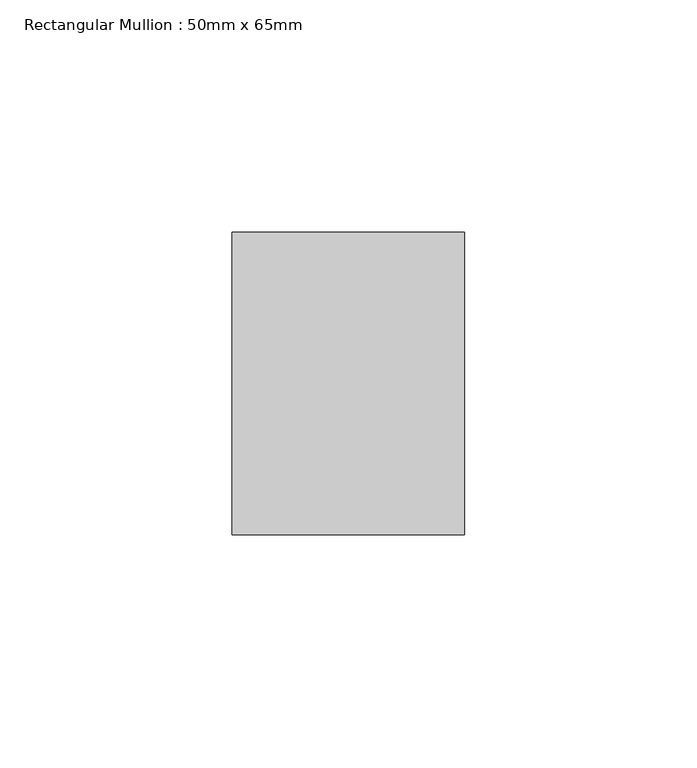
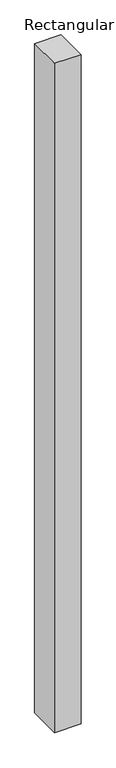
"""IFC4 building model written with IfcOpenShell, lengths in millimetres: member geometry, Rectangular Mullion : 50mm x 65mm."""

from ifc_helpers import new_model, si_unit, frame, origin, place, context, project, spatial, polyline, outline, extrude, source, transform, mapped, element, save


def rectangular_mullion_50mm_x_65mm_59a3a145(model_context):
    return source(origin(), model_context, "Body", "SweptSolid", [
        extrude(outline(polyline([(25.0, 32.5), (25.0, -32.5), (-25.0, -32.5), (-25.0, 32.5), (25.0, 32.5)])), frame((0.0, 0.0, -1337.4792641), z_axis=(0.0, 0.0, 1.0), x_axis=(1.0, 0.0, 0.0)), (0.0, 0.0, 1.0), 1337.4792641),
    ])


if __name__ == "__main__":
    model = new_model("IFC4")
    model_context = context("Model", 3, world=origin())
    ifc_project = project(units=[si_unit("LENGTHUNIT", "METRE", prefix="MILLI")], contexts=[model_context])
    site = spatial("IfcSite", under=ifc_project)
    building = spatial("IfcBuilding", under=site)
    placement = place(None, origin())
    rectangular_mullion_50mm_x_65mm_shape = rectangular_mullion_50mm_x_65mm_59a3a145(model_context)
    element("IfcMember", 1, ObjectType="Rectangular Mullion : 50mm x 65mm", at=placement, inside=building, context=model_context, shape_type="MappedRepresentation", body=[
        mapped(rectangular_mullion_50mm_x_65mm_shape, transform((0.0, 0.0, 0.0), x_axis=(1.0, 0.0, 0.0), y_axis=(0.0, 1.0, 0.0), z_axis=(0.0, 0.0, 1.0))),
    ])
    save(model, "model.ifc")
